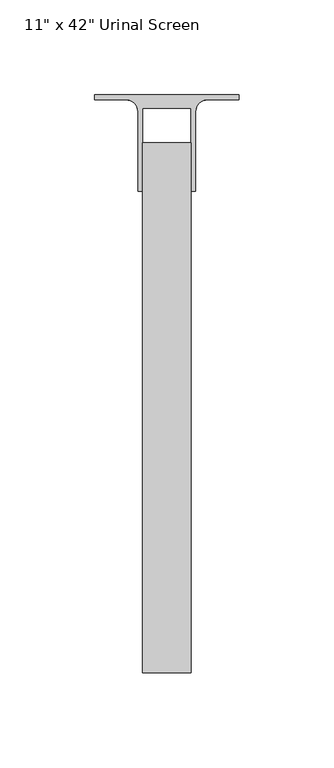
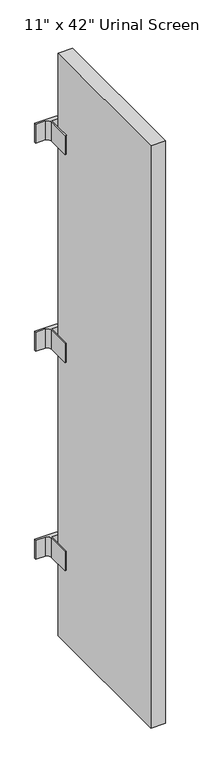
"""IFC4 building model written with IfcOpenShell, lengths in millimetres: proxy geometry."""

from ifc_helpers import new_model, si_unit, point, frame, frame_2d, origin, place, context, project, spatial, polyline, circle_curve, trimmed, segment, composite_curve, outline, extrude, source, transform, mapped, element, save


def proxy_3791e197(model_context):
    return source(origin(), model_context, "Body", "SweptSolid", [
        extrude(outline(composite_curve([segment(polyline([(38.1, 0.0), (38.1, -2.54), (21.59, -2.54)]), True, "CONTINUOUS"), segment(trimmed(circle_curve(frame_2d((21.59, -8.89)), 6.35), [point((21.59, -2.54))], [point((15.24, -8.89))], True, "CARTESIAN"), True, "CONTINUOUS"), segment(polyline([(15.24, -8.89), (15.24, -50.8), (12.7, -50.8), (12.7, -6.9478188), (-12.7, -6.9478188), (-12.7, -50.8), (-15.24, -50.8), (-15.24, -8.89)]), True, "CONTINUOUS"), segment(trimmed(circle_curve(frame_2d((-21.59, -8.89)), 6.35), [point((-15.24, -8.89))], [point((-21.59, -2.54))], True, "CARTESIAN"), True, "CONTINUOUS"), segment(polyline([(-21.59, -2.54), (-38.1, -2.54), (-38.1, 0.0), (38.1, 0.0)]), True, "CONTINUOUS")], self_intersect=False)), frame((0.0, 0.0, 973.1375), z_axis=(0.0, 0.0, 1.0), x_axis=(1.0, 0.0, 0.0)), (0.0, 0.0, 1.0), 34.925),
        extrude(outline(composite_curve([segment(polyline([(38.1, 0.0), (38.1, -2.54), (21.59, -2.54)]), True, "CONTINUOUS"), segment(trimmed(circle_curve(frame_2d((21.59, -8.89)), 6.35), [point((21.59, -2.54))], [point((15.24, -8.89))], True, "CARTESIAN"), True, "CONTINUOUS"), segment(polyline([(15.24, -8.89), (15.24, -50.8), (12.7, -50.8), (12.7, -6.9478188), (-12.7, -6.9478188), (-12.7, -50.8), (-15.24, -50.8), (-15.24, -8.89)]), True, "CONTINUOUS"), segment(trimmed(circle_curve(frame_2d((-21.59, -8.89)), 6.35), [point((-15.24, -8.89))], [point((-21.59, -2.54))], True, "CARTESIAN"), True, "CONTINUOUS"), segment(polyline([(-21.59, -2.54), (-38.1, -2.54), (-38.1, 0.0), (38.1, 0.0)]), True, "CONTINUOUS")], self_intersect=False)), frame((0.0, 0.0, 1354.1375), z_axis=(0.0, 0.0, 1.0), x_axis=(1.0, 0.0, 0.0)), (0.0, 0.0, 1.0), 34.925),
        extrude(outline(composite_curve([segment(polyline([(38.1, 0.0), (38.1, -2.54), (21.59, -2.54)]), True, "CONTINUOUS"), segment(trimmed(circle_curve(frame_2d((21.59, -8.89)), 6.35), [point((21.59, -2.54))], [point((15.24, -8.89))], True, "CARTESIAN"), True, "CONTINUOUS"), segment(polyline([(15.24, -8.89), (15.24, -50.8), (12.7, -50.8), (12.7, -6.9478188), (-12.7, -6.9478188), (-12.7, -50.8), (-15.24, -50.8), (-15.24, -8.89)]), True, "CONTINUOUS"), segment(trimmed(circle_curve(frame_2d((-21.59, -8.89)), 6.35), [point((-15.24, -8.89))], [point((-21.59, -2.54))], True, "CARTESIAN"), True, "CONTINUOUS"), segment(polyline([(-21.59, -2.54), (-38.1, -2.54), (-38.1, 0.0), (38.1, 0.0)]), True, "CONTINUOUS")], self_intersect=False)), frame((0.0, 0.0, 592.1375), z_axis=(0.0, 0.0, 1.0), x_axis=(1.0, 0.0, 0.0)), (0.0, 0.0, 1.0), 34.925),
        extrude(outline(polyline([(12.7, -25.4), (12.7, -304.8), (-12.7, -304.8), (-12.7, -25.4), (12.7, -25.4)])), frame((0.0, 0.0, 457.2), z_axis=(0.0, 0.0, 1.0), x_axis=(1.0, 0.0, 0.0)), (0.0, 0.0, 1.0), 1066.8),
    ])


if __name__ == "__main__":
    model = new_model("IFC4")
    model_context = context("Model", 3, world=origin())
    ifc_project = project(units=[si_unit("LENGTHUNIT", "METRE", prefix="MILLI")], contexts=[model_context])
    site = spatial("IfcSite", under=ifc_project)
    building = spatial("IfcBuilding", under=site)
    placement = place(None, origin())
    proxy_shape = proxy_3791e197(model_context)
    element("IfcBuildingElementProxy", 1, Name="11\" x 42\" Urinal Screen", ObjectType="11\" x 42\" Urinal Screen", at=placement, inside=building, context=model_context, shape_type="MappedRepresentation", body=[
        mapped(proxy_shape, transform((0.0, 0.0, 0.0), x_axis=(1.0, 0.0, 0.0), y_axis=(0.0, 1.0, 0.0), z_axis=(0.0, 0.0, 1.0))),
    ])
    save(model, "model.ifc")
